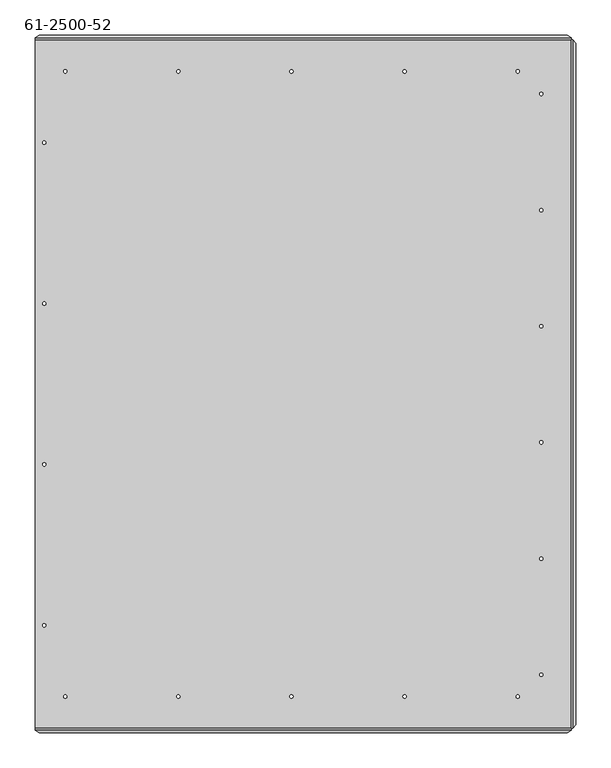
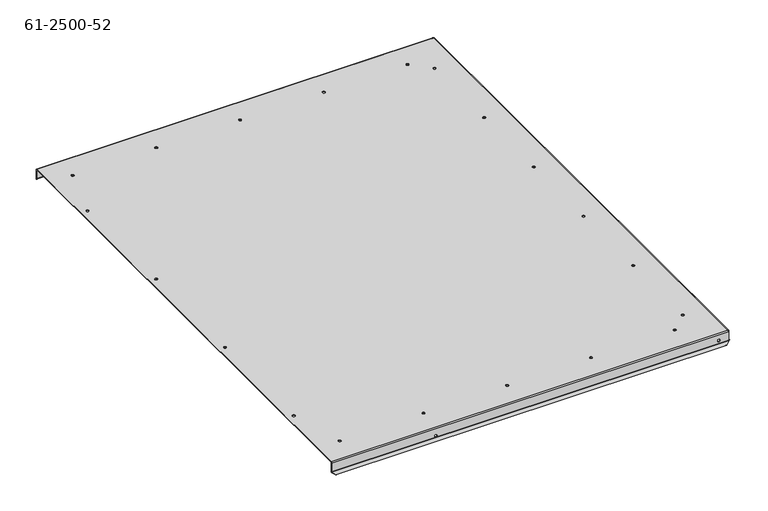
"""IFC4 building model written with IfcOpenShell, lengths in millimetres: proxy geometry, 61-2500-52."""

from ifc_helpers import new_model, si_unit, frame, origin, place, context, project, spatial, polyline, circle_curve, source, transform, mapped, element, save
from ifc_brep_helpers import plane_surface, cylinder_surface, revolved_surface, advanced_brep


def proxy_61_2500_52_3c4cc847(model_context):
    return source(origin(), model_context, "Body", "AdvancedBrep", [
        advanced_brep(
        [(366.13846, -10.8018827, -0.85344), (366.13846, -10.8018827, 0.0), (361.43946, -10.8018827, 0.0), (361.43946, -10.8018827, -0.85344), (526.71726, -10.8018827, -0.85344), (526.71726, -10.8018827, 0.0), (522.01826, -10.8018827, 0.0), (522.01826, -10.8018827, -0.85344), (687.29606, -10.8018827, -0.85344), (687.29606, -10.8018827, 0.0), (682.59706, -10.8018827, 0.0), (682.59706, -10.8018827, -0.85344), (687.29606, -898.2728027, -0.85344), (687.29606, -898.2728027, 0.0), (682.59706, -898.2728027, 0.0), (682.59706, -898.2728027, -0.85344), (526.71726, -898.2728027, -0.85344), (526.71726, -898.2728027, 0.0), (522.01826, -898.2728027, 0.0), (522.01826, -898.2728027, -0.85344), (366.13846, -898.2728027, -0.85344), (366.13846, -898.2728027, 0.0), (361.43946, -898.2728027, 0.0), (361.43946, -898.2728027, -0.85344), (720.72246, -42.8008027, -0.85344), (720.72246, -42.8008027, 0.0), (716.02346, -42.8008027, 0.0), (716.02346, -42.8008027, -0.85344), (720.72246, -867.2848027, -0.85344), (720.72246, -867.2848027, 0.0), (716.02346, -867.2848027, 0.0), (716.02346, -867.2848027, -0.85344), (720.72246, -702.3880027, -0.85344), (720.72246, -702.3880027, 0.0), (716.02346, -702.3880027, 0.0), (716.02346, -702.3880027, -0.85344), (720.72246, -537.4912027, -0.85344), (720.72246, -537.4912027, 0.0), (716.02346, -537.4912027, 0.0), (716.02346, -537.4912027, -0.85344), (720.72246, -372.5944027, -0.85344), (720.72246, -372.5944027, 0.0), (716.02346, -372.5944027, 0.0), (716.02346, -372.5944027, -0.85344), (720.72246, -207.6976027, -0.85344), (720.72246, -207.6976027, 0.0), (716.02346, -207.6976027, 0.0), (716.02346, -207.6976027, -0.85344), (205.55966, -898.2728027, -0.85344), (205.55966, -898.2728027, 0.0), (200.86066, -898.2728027, 0.0), (200.86066, -898.2728027, -0.85344), (44.98086, -898.2728027, -0.85344), (44.98086, -898.2728027, 0.0), (40.28186, -898.2728027, 0.0), (40.28186, -898.2728027, -0.85344), (44.98086, -10.8018827, -0.85344), (44.98086, -10.8018827, 0.0), (40.28186, -10.8018827, 0.0), (40.28186, -10.8018827, -0.85344), (205.55966, -10.8018827, -0.85344), (205.55966, -10.8018827, 0.0), (200.86066, -10.8018827, 0.0), (200.86066, -10.8018827, -0.85344), (762.0, 15.7665173, -15.61338), (762.85344, 15.7665173, -15.61338), (762.85344, 15.7665173, -10.91438), (762.0, 15.7665173, -10.91438), (762.0, -924.8412027, -15.61338), (762.85344, -924.8412027, -15.61338), (762.85344, -924.8412027, -10.91438), (762.0, -924.8412027, -10.91438), (15.0495, -111.8913427, -0.85344), (15.0495, -111.8913427, 0.0), (10.3505, -111.8913427, 0.0), (10.3505, -111.8913427, -0.85344), (15.0495, -340.3135427, -0.85344), (15.0495, -340.3135427, 0.0), (10.3505, -340.3135427, 0.0), (10.3505, -340.3135427, -0.85344), (15.0495, -568.7611427, -0.85344), (15.0495, -568.7611427, 0.0), (10.3505, -568.7611427, 0.0), (10.3505, -568.7611427, -0.85344), (15.0495, -797.1833427, -0.85344), (15.0495, -797.1833427, 0.0), (10.3505, -797.1833427, 0.0), (10.3505, -797.1833427, -0.85344), (202.18146, -944.3382427, -16.4257336), (202.18146, -945.1916827, -16.4257336), (197.48246, -945.1916827, -16.4257336), (197.48246, -944.3382427, -16.4257336), (202.18146, 36.1169973, -16.4257336), (202.18146, 35.2635573, -16.4257336), (197.48246, 35.2635573, -16.4257336), (197.48246, 36.1169973, -16.4257336), (744.87786, -945.1916827, -13.26388), (744.87786, -944.3382427, -13.26388), (740.17886, -944.3382427, -13.26388), (740.17886, -945.1916827, -13.26388), (744.87786, 35.2635573, -13.26388), (744.87786, 36.1169973, -13.26388), (740.17886, 36.1169973, -13.26388), (740.17886, 35.2635573, -13.26388), (0.0, -945.1809064, -21.0996101), (5.5118, -949.0783375, -24.9970413), (5.5118, -949.6818108, -24.3935681), (0.0, -945.7843796, -20.4961369), (0.0, -945.4416495, -20.1534068), (0.0, -945.1916827, -19.5499336), (0.0, -945.1916827, -1.70688), (0.0, -943.4848027, 0.0), (0.0, 34.4101173, 0.0), (0.0, 36.1169973, -1.70688), (0.0, 36.1169973, -19.5499336), (0.0, 36.3669641, -20.1534068), (0.0, 36.7096942, -20.4961369), (0.0, 36.106221, -21.0996101), (0.0, 35.7634909, -20.75688), (0.0, 35.2635573, -19.5499336), (0.0, 35.2635573, -1.70688), (0.0, 34.4101173, -0.85344), (0.0, -943.4848027, -0.85344), (0.0, -944.3382427, -1.70688), (0.0, -944.3382427, -19.5499336), (0.0, -944.8381763, -20.75688), (755.63476, -949.6818108, -24.3935681), (761.14656, -945.7843796, -20.4961369), (761.14656, -945.4416495, -20.1534068), (755.63476, -949.0783375, -24.9970413), (761.14656, -945.1809064, -21.0996101), (761.14656, -944.8381763, -20.75688), (761.14656, -944.3382427, -19.5499336), (761.14656, -944.3382427, -1.70688), (761.14656, -943.4848027, -0.85344), (761.14656, -943.4848027, 0.0), (761.14656, -945.1916827, -1.70688), (761.14656, -945.1916827, -19.5499336), (762.8426637, -943.4848027, -21.0996101), (766.7400948, -937.9730027, -24.9970413), (767.3435681, -937.9730027, -24.3935681), (763.4461369, -943.4848027, -20.4961369), (763.1034068, -943.4848027, -20.1534068), (762.85344, -943.4848027, -19.5499336), (762.85344, -943.4848027, -1.70688), (762.0, -943.4848027, -1.70688), (762.0, -943.4848027, -19.5499336), (762.4999336, -943.4848027, -20.75688), (767.3435681, 28.8983173, -24.3935681), (763.4461369, 34.4101173, -20.4961369), (763.1034068, 34.4101173, -20.1534068), (766.7400948, 28.8983173, -24.9970413), (762.8426637, 34.4101173, -21.0996101), (762.4999336, 34.4101173, -20.75688), (762.0, 34.4101173, -19.5499336), (762.0, 34.4101173, -1.70688), (761.14656, 34.4101173, -0.85344), (761.14656, 34.4101173, 0.0), (762.85344, 34.4101173, -1.70688), (762.85344, 34.4101173, -19.5499336), (5.5118, 40.0036522, -24.9970413), (5.5118, 40.6071254, -24.3935681), (755.63476, 40.6071254, -24.3935681), (755.63476, 40.0036522, -24.9970413), (761.14656, 36.3669641, -20.1534068), (761.14656, 36.7096942, -20.4961369), (761.14656, 36.106221, -21.0996101), (761.14656, 36.1169973, -19.5499336), (761.14656, 36.1169973, -1.70688), (761.14656, 35.2635573, -1.70688), (761.14656, 35.2635573, -19.5499336), (761.14656, 35.7634909, -20.75688)],
        [
            (0, 1),
            (1, 2, circle_curve(frame((363.78896, -10.8018827, 0.0), z_axis=(0.0, 0.0, 1.0), x_axis=(1.0, 0.0, 0.0)), 2.3495)),
            (2, 3),
            (3, 0, circle_curve(frame((363.78896, -10.8018827, -0.85344), z_axis=(0.0, 0.0, -1.0), x_axis=(1.0, 0.0, 0.0)), 2.3495)),
            (4, 5),
            (5, 6, circle_curve(frame((524.36776, -10.8018827, 0.0), z_axis=(0.0, 0.0, 1.0), x_axis=(1.0, 0.0, 0.0)), 2.3495)),
            (6, 7),
            (7, 4, circle_curve(frame((524.36776, -10.8018827, -0.85344), z_axis=(0.0, 0.0, -1.0), x_axis=(1.0, 0.0, 0.0)), 2.3495)),
            (8, 9),
            (9, 10, circle_curve(frame((684.94656, -10.8018827, 0.0), z_axis=(0.0, 0.0, 1.0), x_axis=(1.0, 0.0, 0.0)), 2.3495)),
            (10, 11),
            (11, 8, circle_curve(frame((684.94656, -10.8018827, -0.85344), z_axis=(0.0, 0.0, -1.0), x_axis=(1.0, 0.0, 0.0)), 2.3495)),
            (12, 13),
            (13, 14, circle_curve(frame((684.94656, -898.2728027, 0.0), z_axis=(0.0, 0.0, 1.0), x_axis=(1.0, 0.0, 0.0)), 2.3495)),
            (14, 15),
            (15, 12, circle_curve(frame((684.94656, -898.2728027, -0.85344), z_axis=(0.0, 0.0, -1.0), x_axis=(1.0, 0.0, 0.0)), 2.3495)),
            (16, 17),
            (17, 18, circle_curve(frame((524.36776, -898.2728027, 0.0), z_axis=(0.0, 0.0, 1.0), x_axis=(1.0, 0.0, 0.0)), 2.3495)),
            (18, 19),
            (19, 16, circle_curve(frame((524.36776, -898.2728027, -0.85344), z_axis=(0.0, 0.0, -1.0), x_axis=(1.0, 0.0, 0.0)), 2.3495)),
            (20, 21),
            (21, 22, circle_curve(frame((363.78896, -898.2728027, 0.0), z_axis=(0.0, 0.0, 1.0), x_axis=(1.0, 0.0, 0.0)), 2.3495)),
            (22, 23),
            (23, 20, circle_curve(frame((363.78896, -898.2728027, -0.85344), z_axis=(0.0, 0.0, -1.0), x_axis=(1.0, 0.0, 0.0)), 2.3495)),
            (24, 25),
            (25, 26, circle_curve(frame((718.37296, -42.8008027, 0.0), z_axis=(0.0, 0.0, 1.0), x_axis=(1.0, 0.0, 0.0)), 2.3495)),
            (26, 27),
            (27, 24, circle_curve(frame((718.37296, -42.8008027, -0.85344), z_axis=(0.0, 0.0, -1.0), x_axis=(1.0, 0.0, 0.0)), 2.3495)),
            (28, 29),
            (29, 30, circle_curve(frame((718.37296, -867.2848027, 0.0), z_axis=(0.0, 0.0, 1.0), x_axis=(1.0, 0.0, 0.0)), 2.3495)),
            (30, 31),
            (31, 28, circle_curve(frame((718.37296, -867.2848027, -0.85344), z_axis=(0.0, 0.0, -1.0), x_axis=(1.0, 0.0, 0.0)), 2.3495)),
            (32, 33),
            (33, 34, circle_curve(frame((718.37296, -702.3880027, 0.0), z_axis=(0.0, 0.0, 1.0), x_axis=(1.0, 0.0, 0.0)), 2.3495)),
            (34, 35),
            (35, 32, circle_curve(frame((718.37296, -702.3880027, -0.85344), z_axis=(0.0, 0.0, -1.0), x_axis=(1.0, 0.0, 0.0)), 2.3495)),
            (36, 37),
            (37, 38, circle_curve(frame((718.37296, -537.4912027, 0.0), z_axis=(0.0, 0.0, 1.0), x_axis=(1.0, 0.0, 0.0)), 2.3495)),
            (38, 39),
            (39, 36, circle_curve(frame((718.37296, -537.4912027, -0.85344), z_axis=(0.0, 0.0, -1.0), x_axis=(1.0, 0.0, 0.0)), 2.3495)),
            (40, 41),
            (41, 42, circle_curve(frame((718.37296, -372.5944027, 0.0), z_axis=(0.0, 0.0, 1.0), x_axis=(1.0, 0.0, 0.0)), 2.3495)),
            (42, 43),
            (43, 40, circle_curve(frame((718.37296, -372.5944027, -0.85344), z_axis=(0.0, 0.0, -1.0), x_axis=(1.0, 0.0, 0.0)), 2.3495)),
            (44, 45),
            (45, 46, circle_curve(frame((718.37296, -207.6976027, 0.0), z_axis=(0.0, 0.0, 1.0), x_axis=(1.0, 0.0, 0.0)), 2.3495)),
            (46, 47),
            (47, 44, circle_curve(frame((718.37296, -207.6976027, -0.85344), z_axis=(0.0, 0.0, -1.0), x_axis=(1.0, 0.0, 0.0)), 2.3495)),
            (48, 49),
            (49, 50, circle_curve(frame((203.21016, -898.2728027, 0.0), z_axis=(0.0, 0.0, 1.0), x_axis=(1.0, 0.0, 0.0)), 2.3495)),
            (50, 51),
            (51, 48, circle_curve(frame((203.21016, -898.2728027, -0.85344), z_axis=(0.0, 0.0, -1.0), x_axis=(1.0, 0.0, 0.0)), 2.3495)),
            (52, 53),
            (53, 54, circle_curve(frame((42.63136, -898.2728027, 0.0), z_axis=(0.0, 0.0, 1.0), x_axis=(1.0, 0.0, 0.0)), 2.3495)),
            (54, 55),
            (55, 52, circle_curve(frame((42.63136, -898.2728027, -0.85344), z_axis=(0.0, 0.0, -1.0), x_axis=(1.0, 0.0, 0.0)), 2.3495)),
            (56, 57),
            (57, 58, circle_curve(frame((42.63136, -10.8018827, 0.0), z_axis=(0.0, 0.0, 1.0), x_axis=(1.0, 0.0, 0.0)), 2.3495)),
            (58, 59),
            (59, 56, circle_curve(frame((42.63136, -10.8018827, -0.85344), z_axis=(0.0, 0.0, -1.0), x_axis=(1.0, 0.0, 0.0)), 2.3495)),
            (60, 61),
            (61, 62, circle_curve(frame((203.21016, -10.8018827, 0.0), z_axis=(0.0, 0.0, 1.0), x_axis=(1.0, 0.0, 0.0)), 2.3495)),
            (62, 63),
            (63, 60, circle_curve(frame((203.21016, -10.8018827, -0.85344), z_axis=(0.0, 0.0, -1.0), x_axis=(1.0, 0.0, 0.0)), 2.3495)),
            (64, 65),
            (65, 66, circle_curve(frame((762.85344, 15.7665173, -13.26388), z_axis=(1.0, 0.0, 0.0), x_axis=(0.0, 0.0, -1.0)), 2.3495)),
            (66, 67),
            (67, 64, circle_curve(frame((762.0, 15.7665173, -13.26388), z_axis=(-1.0, 0.0, 0.0), x_axis=(0.0, 0.0, -1.0)), 2.3495)),
            (68, 69),
            (69, 70, circle_curve(frame((762.85344, -924.8412027, -13.26388), z_axis=(1.0, 0.0, 0.0), x_axis=(0.0, 0.0, -1.0)), 2.3495)),
            (70, 71),
            (71, 68, circle_curve(frame((762.0, -924.8412027, -13.26388), z_axis=(-1.0, 0.0, 0.0), x_axis=(0.0, 0.0, -1.0)), 2.3495)),
            (72, 73),
            (73, 74, circle_curve(frame((12.7, -111.8913427, 0.0), z_axis=(0.0, 0.0, 1.0), x_axis=(1.0, 0.0, 0.0)), 2.3495)),
            (74, 75),
            (75, 72, circle_curve(frame((12.7, -111.8913427, -0.85344), z_axis=(0.0, 0.0, -1.0), x_axis=(1.0, 0.0, 0.0)), 2.3495)),
            (76, 77),
            (77, 78, circle_curve(frame((12.7, -340.3135427, 0.0), z_axis=(0.0, 0.0, 1.0), x_axis=(1.0, 0.0, 0.0)), 2.3495)),
            (78, 79),
            (79, 76, circle_curve(frame((12.7, -340.3135427, -0.85344), z_axis=(0.0, 0.0, -1.0), x_axis=(1.0, 0.0, 0.0)), 2.3495)),
            (80, 81),
            (81, 82, circle_curve(frame((12.7, -568.7611427, 0.0), z_axis=(0.0, 0.0, 1.0), x_axis=(1.0, 0.0, 0.0)), 2.3495)),
            (82, 83),
            (83, 80, circle_curve(frame((12.7, -568.7611427, -0.85344), z_axis=(0.0, 0.0, -1.0), x_axis=(1.0, 0.0, 0.0)), 2.3495)),
            (84, 85),
            (85, 86, circle_curve(frame((12.7, -797.1833427, 0.0), z_axis=(0.0, 0.0, 1.0), x_axis=(1.0, 0.0, 0.0)), 2.3495)),
            (86, 87),
            (87, 84, circle_curve(frame((12.7, -797.1833427, -0.85344), z_axis=(0.0, 0.0, -1.0), x_axis=(1.0, 0.0, 0.0)), 2.3495)),
            (88, 89),
            (89, 90, circle_curve(frame((199.83196, -945.1916827, -16.4257336), z_axis=(0.0, -1.0, 0.0), x_axis=(1.0, 0.0, 0.0)), 2.3495)),
            (90, 91),
            (91, 88, circle_curve(frame((199.83196, -944.3382427, -16.4257336), z_axis=(0.0, 1.0, 0.0), x_axis=(1.0, 0.0, 0.0)), 2.3495)),
            (92, 93),
            (93, 94, circle_curve(frame((199.83196, 35.2635573, -16.4257336), z_axis=(0.0, -1.0, 0.0), x_axis=(1.0, 0.0, 0.0)), 2.3495)),
            (94, 95),
            (95, 92, circle_curve(frame((199.83196, 36.1169973, -16.4257336), z_axis=(0.0, 1.0, 0.0), x_axis=(1.0, 0.0, 0.0)), 2.3495)),
            (96, 97),
            (97, 98, circle_curve(frame((742.52836, -944.3382427, -13.26388), z_axis=(0.0, 1.0, 0.0), x_axis=(1.0, 0.0, 0.0)), 2.3495)),
            (98, 99),
            (99, 96, circle_curve(frame((742.52836, -945.1916827, -13.26388), z_axis=(0.0, -1.0, 0.0), x_axis=(1.0, 0.0, 0.0)), 2.3495)),
            (100, 101),
            (101, 102, circle_curve(frame((742.52836, 36.1169973, -13.26388), z_axis=(0.0, 1.0, 0.0), x_axis=(1.0, 0.0, 0.0)), 2.3495)),
            (102, 103),
            (103, 100, circle_curve(frame((742.52836, 35.2635573, -13.26388), z_axis=(0.0, -1.0, 0.0), x_axis=(1.0, 0.0, 0.0)), 2.3495)),
            (100, 103, circle_curve(frame((742.52836, 35.2635573, -13.26388), z_axis=(0.0, -1.0, 0.0), x_axis=(1.0, 0.0, 0.0)), 2.3495)),
            (102, 101, circle_curve(frame((742.52836, 36.1169973, -13.26388), z_axis=(0.0, 1.0, 0.0), x_axis=(1.0, 0.0, 0.0)), 2.3495)),
            (96, 99, circle_curve(frame((742.52836, -945.1916827, -13.26388), z_axis=(0.0, -1.0, 0.0), x_axis=(1.0, 0.0, 0.0)), 2.3495)),
            (98, 97, circle_curve(frame((742.52836, -944.3382427, -13.26388), z_axis=(0.0, 1.0, 0.0), x_axis=(1.0, 0.0, 0.0)), 2.3495)),
            (92, 95, circle_curve(frame((199.83196, 36.1169973, -16.4257336), z_axis=(0.0, 1.0, 0.0), x_axis=(1.0, 0.0, 0.0)), 2.3495)),
            (94, 93, circle_curve(frame((199.83196, 35.2635573, -16.4257336), z_axis=(0.0, -1.0, 0.0), x_axis=(1.0, 0.0, 0.0)), 2.3495)),
            (88, 91, circle_curve(frame((199.83196, -944.3382427, -16.4257336), z_axis=(0.0, 1.0, 0.0), x_axis=(1.0, 0.0, 0.0)), 2.3495)),
            (90, 89, circle_curve(frame((199.83196, -945.1916827, -16.4257336), z_axis=(0.0, -1.0, 0.0), x_axis=(1.0, 0.0, 0.0)), 2.3495)),
            (84, 87, circle_curve(frame((12.7, -797.1833427, -0.85344), z_axis=(0.0, 0.0, -1.0), x_axis=(1.0, 0.0, 0.0)), 2.3495)),
            (86, 85, circle_curve(frame((12.7, -797.1833427, 0.0), z_axis=(0.0, 0.0, 1.0), x_axis=(1.0, 0.0, 0.0)), 2.3495)),
            (80, 83, circle_curve(frame((12.7, -568.7611427, -0.85344), z_axis=(0.0, 0.0, -1.0), x_axis=(1.0, 0.0, 0.0)), 2.3495)),
            (82, 81, circle_curve(frame((12.7, -568.7611427, 0.0), z_axis=(0.0, 0.0, 1.0), x_axis=(1.0, 0.0, 0.0)), 2.3495)),
            (76, 79, circle_curve(frame((12.7, -340.3135427, -0.85344), z_axis=(0.0, 0.0, -1.0), x_axis=(1.0, 0.0, 0.0)), 2.3495)),
            (78, 77, circle_curve(frame((12.7, -340.3135427, 0.0), z_axis=(0.0, 0.0, 1.0), x_axis=(1.0, 0.0, 0.0)), 2.3495)),
            (72, 75, circle_curve(frame((12.7, -111.8913427, -0.85344), z_axis=(0.0, 0.0, -1.0), x_axis=(1.0, 0.0, 0.0)), 2.3495)),
            (74, 73, circle_curve(frame((12.7, -111.8913427, 0.0), z_axis=(0.0, 0.0, 1.0), x_axis=(1.0, 0.0, 0.0)), 2.3495)),
            (68, 71, circle_curve(frame((762.0, -924.8412027, -13.26388), z_axis=(-1.0, 0.0, 0.0), x_axis=(0.0, 0.0, -1.0)), 2.3495)),
            (70, 69, circle_curve(frame((762.85344, -924.8412027, -13.26388), z_axis=(1.0, 0.0, 0.0), x_axis=(0.0, 0.0, -1.0)), 2.3495)),
            (64, 67, circle_curve(frame((762.0, 15.7665173, -13.26388), z_axis=(-1.0, 0.0, 0.0), x_axis=(0.0, 0.0, -1.0)), 2.3495)),
            (66, 65, circle_curve(frame((762.85344, 15.7665173, -13.26388), z_axis=(1.0, 0.0, 0.0), x_axis=(0.0, 0.0, -1.0)), 2.3495)),
            (60, 63, circle_curve(frame((203.21016, -10.8018827, -0.85344), z_axis=(0.0, 0.0, -1.0), x_axis=(1.0, 0.0, 0.0)), 2.3495)),
            (62, 61, circle_curve(frame((203.21016, -10.8018827, 0.0), z_axis=(0.0, 0.0, 1.0), x_axis=(1.0, 0.0, 0.0)), 2.3495)),
            (56, 59, circle_curve(frame((42.63136, -10.8018827, -0.85344), z_axis=(0.0, 0.0, -1.0), x_axis=(1.0, 0.0, 0.0)), 2.3495)),
            (58, 57, circle_curve(frame((42.63136, -10.8018827, 0.0), z_axis=(0.0, 0.0, 1.0), x_axis=(1.0, 0.0, 0.0)), 2.3495)),
            (52, 55, circle_curve(frame((42.63136, -898.2728027, -0.85344), z_axis=(0.0, 0.0, -1.0), x_axis=(1.0, 0.0, 0.0)), 2.3495)),
            (54, 53, circle_curve(frame((42.63136, -898.2728027, 0.0), z_axis=(0.0, 0.0, 1.0), x_axis=(1.0, 0.0, 0.0)), 2.3495)),
            (48, 51, circle_curve(frame((203.21016, -898.2728027, -0.85344), z_axis=(0.0, 0.0, -1.0), x_axis=(1.0, 0.0, 0.0)), 2.3495)),
            (50, 49, circle_curve(frame((203.21016, -898.2728027, 0.0), z_axis=(0.0, 0.0, 1.0), x_axis=(1.0, 0.0, 0.0)), 2.3495)),
            (44, 47, circle_curve(frame((718.37296, -207.6976027, -0.85344), z_axis=(0.0, 0.0, -1.0), x_axis=(1.0, 0.0, 0.0)), 2.3495)),
            (46, 45, circle_curve(frame((718.37296, -207.6976027, 0.0), z_axis=(0.0, 0.0, 1.0), x_axis=(1.0, 0.0, 0.0)), 2.3495)),
            (40, 43, circle_curve(frame((718.37296, -372.5944027, -0.85344), z_axis=(0.0, 0.0, -1.0), x_axis=(1.0, 0.0, 0.0)), 2.3495)),
            (42, 41, circle_curve(frame((718.37296, -372.5944027, 0.0), z_axis=(0.0, 0.0, 1.0), x_axis=(1.0, 0.0, 0.0)), 2.3495)),
            (36, 39, circle_curve(frame((718.37296, -537.4912027, -0.85344), z_axis=(0.0, 0.0, -1.0), x_axis=(1.0, 0.0, 0.0)), 2.3495)),
            (38, 37, circle_curve(frame((718.37296, -537.4912027, 0.0), z_axis=(0.0, 0.0, 1.0), x_axis=(1.0, 0.0, 0.0)), 2.3495)),
            (32, 35, circle_curve(frame((718.37296, -702.3880027, -0.85344), z_axis=(0.0, 0.0, -1.0), x_axis=(1.0, 0.0, 0.0)), 2.3495)),
            (34, 33, circle_curve(frame((718.37296, -702.3880027, 0.0), z_axis=(0.0, 0.0, 1.0), x_axis=(1.0, 0.0, 0.0)), 2.3495)),
            (28, 31, circle_curve(frame((718.37296, -867.2848027, -0.85344), z_axis=(0.0, 0.0, -1.0), x_axis=(1.0, 0.0, 0.0)), 2.3495)),
            (30, 29, circle_curve(frame((718.37296, -867.2848027, 0.0), z_axis=(0.0, 0.0, 1.0), x_axis=(1.0, 0.0, 0.0)), 2.3495)),
            (24, 27, circle_curve(frame((718.37296, -42.8008027, -0.85344), z_axis=(0.0, 0.0, -1.0), x_axis=(1.0, 0.0, 0.0)), 2.3495)),
            (26, 25, circle_curve(frame((718.37296, -42.8008027, 0.0), z_axis=(0.0, 0.0, 1.0), x_axis=(1.0, 0.0, 0.0)), 2.3495)),
            (20, 23, circle_curve(frame((363.78896, -898.2728027, -0.85344), z_axis=(0.0, 0.0, -1.0), x_axis=(1.0, 0.0, 0.0)), 2.3495)),
            (22, 21, circle_curve(frame((363.78896, -898.2728027, 0.0), z_axis=(0.0, 0.0, 1.0), x_axis=(1.0, 0.0, 0.0)), 2.3495)),
            (16, 19, circle_curve(frame((524.36776, -898.2728027, -0.85344), z_axis=(0.0, 0.0, -1.0), x_axis=(1.0, 0.0, 0.0)), 2.3495)),
            (18, 17, circle_curve(frame((524.36776, -898.2728027, 0.0), z_axis=(0.0, 0.0, 1.0), x_axis=(1.0, 0.0, 0.0)), 2.3495)),
            (12, 15, circle_curve(frame((684.94656, -898.2728027, -0.85344), z_axis=(0.0, 0.0, -1.0), x_axis=(1.0, 0.0, 0.0)), 2.3495)),
            (14, 13, circle_curve(frame((684.94656, -898.2728027, 0.0), z_axis=(0.0, 0.0, 1.0), x_axis=(1.0, 0.0, 0.0)), 2.3495)),
            (8, 11, circle_curve(frame((684.94656, -10.8018827, -0.85344), z_axis=(0.0, 0.0, -1.0), x_axis=(1.0, 0.0, 0.0)), 2.3495)),
            (10, 9, circle_curve(frame((684.94656, -10.8018827, 0.0), z_axis=(0.0, 0.0, 1.0), x_axis=(1.0, 0.0, 0.0)), 2.3495)),
            (4, 7, circle_curve(frame((524.36776, -10.8018827, -0.85344), z_axis=(0.0, 0.0, -1.0), x_axis=(1.0, 0.0, 0.0)), 2.3495)),
            (6, 5, circle_curve(frame((524.36776, -10.8018827, 0.0), z_axis=(0.0, 0.0, 1.0), x_axis=(1.0, 0.0, 0.0)), 2.3495)),
            (0, 3, circle_curve(frame((363.78896, -10.8018827, -0.85344), z_axis=(0.0, 0.0, -1.0), x_axis=(1.0, 0.0, 0.0)), 2.3495)),
            (2, 1, circle_curve(frame((363.78896, -10.8018827, 0.0), z_axis=(0.0, 0.0, 1.0), x_axis=(1.0, 0.0, 0.0)), 2.3495)),
            (104, 105),
            (105, 106),
            (106, 107),
            (107, 104),
            (107, 108),
            (108, 109, circle_curve(frame((0.0, -946.0451227, -19.5499336), z_axis=(1.0, 0.0, 0.0), x_axis=(0.0, 1.0, 0.0)), 0.85344)),
            (109, 110),
            (110, 111, circle_curve(frame((0.0, -943.4848027, -1.70688), z_axis=(-1.0, 0.0, 0.0), x_axis=(0.0, 0.0, 1.0)), 1.70688)),
            (111, 112),
            (112, 113, circle_curve(frame((0.0, 34.4101173, -1.70688), z_axis=(-1.0, 0.0, 0.0), x_axis=(0.0, 0.0, 1.0)), 1.70688)),
            (113, 114),
            (114, 115, circle_curve(frame((0.0, 36.9704373, -19.5499336), z_axis=(1.0, 0.0, 0.0), x_axis=(0.0, -1.0, 0.0)), 0.85344)),
            (115, 116),
            (116, 117),
            (117, 118),
            (118, 119, circle_curve(frame((0.0, 36.9704373, -19.5499336), z_axis=(-1.0, 0.0, 0.0), x_axis=(0.0, -1.0, 0.0)), 1.70688)),
            (119, 120),
            (120, 121, circle_curve(frame((0.0, 34.4101173, -1.70688), z_axis=(1.0, 0.0, 0.0), x_axis=(0.0, 0.0, 1.0)), 0.85344)),
            (121, 122),
            (122, 123, circle_curve(frame((0.0, -943.4848027, -1.70688), z_axis=(1.0, 0.0, 0.0), x_axis=(0.0, 0.0, 1.0)), 0.85344)),
            (123, 124),
            (124, 125, circle_curve(frame((0.0, -946.0451227, -19.5499336), z_axis=(-1.0, 0.0, 0.0), x_axis=(0.0, 1.0, 0.0)), 1.70688)),
            (125, 104),
            (106, 126),
            (126, 127),
            (127, 128),
            (128, 108),
            (129, 130),
            (130, 127),
            (126, 129),
            (130, 131),
            (131, 132, circle_curve(frame((761.14656, -946.0451227, -19.5499336), z_axis=(1.0, 0.0, 0.0), x_axis=(0.0, 1.0, 0.0)), 1.70688)),
            (132, 133),
            (133, 134, circle_curve(frame((761.14656, -943.4848027, -1.70688), z_axis=(-1.0, 0.0, 0.0), x_axis=(0.0, 0.0, 1.0)), 0.85344)),
            (134, 135),
            (135, 136, circle_curve(frame((761.14656, -943.4848027, -1.70688), z_axis=(1.0, 0.0, 0.0), x_axis=(0.0, 0.0, 1.0)), 1.70688)),
            (136, 137),
            (137, 128, circle_curve(frame((761.14656, -946.0451227, -19.5499336), z_axis=(-1.0, 0.0, 0.0), x_axis=(0.0, 1.0, 0.0)), 0.85344)),
            (138, 139),
            (139, 140),
            (140, 141),
            (141, 138),
            (141, 142),
            (142, 143, circle_curve(frame((763.70688, -943.4848027, -19.5499336), z_axis=(0.0, 1.0, 0.0), x_axis=(-1.0, 0.0, 0.0)), 0.85344)),
            (143, 144),
            (144, 135, circle_curve(frame((761.14656, -943.4848027, -1.70688), z_axis=(0.0, -1.0, 0.0), x_axis=(0.0, 0.0, 1.0)), 1.70688)),
            (134, 145, circle_curve(frame((761.14656, -943.4848027, -1.70688), z_axis=(0.0, 1.0, 0.0), x_axis=(0.0, 0.0, 1.0)), 0.85344)),
            (145, 146),
            (146, 147, circle_curve(frame((763.70688, -943.4848027, -19.5499336), z_axis=(0.0, -1.0, 0.0), x_axis=(-1.0, 0.0, 0.0)), 1.70688)),
            (147, 138),
            (140, 148),
            (148, 149),
            (149, 150),
            (150, 142),
            (151, 152),
            (152, 149),
            (148, 151),
            (152, 153),
            (153, 154, circle_curve(frame((763.70688, 34.4101173, -19.5499336), z_axis=(0.0, 1.0, 0.0), x_axis=(-1.0, 0.0, 0.0)), 1.70688)),
            (154, 155),
            (155, 156, circle_curve(frame((761.14656, 34.4101173, -1.70688), z_axis=(0.0, -1.0, 0.0), x_axis=(0.0, 0.0, 1.0)), 0.85344)),
            (156, 157),
            (157, 158, circle_curve(frame((761.14656, 34.4101173, -1.70688), z_axis=(0.0, 1.0, 0.0), x_axis=(0.0, 0.0, 1.0)), 1.70688)),
            (158, 159),
            (159, 150, circle_curve(frame((763.70688, 34.4101173, -19.5499336), z_axis=(0.0, -1.0, 0.0), x_axis=(-1.0, 0.0, 0.0)), 0.85344)),
            (160, 117),
            (116, 161),
            (161, 160),
            (161, 162),
            (162, 163),
            (163, 160),
            (115, 164),
            (164, 165),
            (165, 162),
            (166, 163),
            (165, 166),
            (164, 167, circle_curve(frame((761.14656, 36.9704373, -19.5499336), z_axis=(-1.0, 0.0, 0.0), x_axis=(0.0, -1.0, 0.0)), 0.85344)),
            (167, 168),
            (168, 157, circle_curve(frame((761.14656, 34.4101173, -1.70688), z_axis=(1.0, 0.0, 0.0), x_axis=(0.0, 0.0, 1.0)), 1.70688)),
            (156, 169, circle_curve(frame((761.14656, 34.4101173, -1.70688), z_axis=(-1.0, 0.0, 0.0), x_axis=(0.0, 0.0, 1.0)), 0.85344)),
            (169, 170),
            (170, 171, circle_curve(frame((761.14656, 36.9704373, -19.5499336), z_axis=(1.0, 0.0, 0.0), x_axis=(0.0, -1.0, 0.0)), 1.70688)),
            (171, 166),
            (171, 118),
            (114, 167),
            (170, 119),
            (113, 168),
            (139, 151),
            (147, 153),
            (159, 143),
            (146, 154),
            (145, 155),
            (105, 129),
            (125, 131),
            (137, 109),
            (124, 132),
            (123, 133),
            (158, 144),
            (136, 110),
            (122, 134),
            (135, 111),
            (134, 156),
            (121, 156),
            (169, 120),
            (112, 157),
            (157, 135),
        ],
        [
            revolved_surface(polyline([(366.13845999999995, -10.8018827, 0.0), (366.13845999999995, -10.8018827, -0.8534400000000915)]), (363.78896, -10.8018827, -1253.0415717), (0.0, 0.0, 1.0)),
            revolved_surface(polyline([(526.71726, -10.8018827, 0.0), (526.71726, -10.8018827, -0.8534400000000915)]), (524.36776, -10.8018827, -1253.0415717), (0.0, 0.0, 1.0)),
            revolved_surface(polyline([(687.29606, -10.8018827, 0.0), (687.29606, -10.8018827, -0.8534400000000915)]), (684.94656, -10.8018827, -1253.0415717), (0.0, 0.0, 1.0)),
            revolved_surface(polyline([(687.29606, -898.2728027, 0.0), (687.29606, -898.2728027, -0.8534400000000915)]), (684.94656, -898.2728027, -1253.0415717), (0.0, 0.0, 1.0)),
            revolved_surface(polyline([(526.71726, -898.2728027, 0.0), (526.71726, -898.2728027, -0.8534400000000915)]), (524.36776, -898.2728027, -1253.0415717), (0.0, 0.0, 1.0)),
            revolved_surface(polyline([(366.13845999999995, -898.2728027, 0.0), (366.13845999999995, -898.2728027, -0.8534400000000915)]), (363.78896, -898.2728027, -1253.0415717), (0.0, 0.0, 1.0)),
            revolved_surface(polyline([(720.7224600000001, -42.8008027, 0.0), (720.7224600000001, -42.8008027, -0.8534400000000915)]), (718.37296, -42.8008027, -1253.0415717), (0.0, 0.0, 1.0)),
            revolved_surface(polyline([(720.7224600000001, -867.2848027, 0.0), (720.7224600000001, -867.2848027, -0.8534400000000915)]), (718.37296, -867.2848027, -1253.0415717), (0.0, 0.0, 1.0)),
            revolved_surface(polyline([(720.7224600000001, -702.3880027, 0.0), (720.7224600000001, -702.3880027, -0.8534400000000915)]), (718.37296, -702.3880027, -1253.0415717), (0.0, 0.0, 1.0)),
            revolved_surface(polyline([(720.7224600000001, -537.4912027, 0.0), (720.7224600000001, -537.4912027, -0.8534400000000915)]), (718.37296, -537.4912027, -1253.0415717), (0.0, 0.0, 1.0)),
            revolved_surface(polyline([(720.7224600000001, -372.5944027, 0.0), (720.7224600000001, -372.5944027, -0.8534400000000915)]), (718.37296, -372.5944027, -1253.0415717), (0.0, 0.0, 1.0)),
            revolved_surface(polyline([(720.7224600000001, -207.6976027, 0.0), (720.7224600000001, -207.6976027, -0.8534400000000915)]), (718.37296, -207.6976027, -1253.0415717), (0.0, 0.0, 1.0)),
            revolved_surface(polyline([(205.55966, -898.2728027, 0.0), (205.55966, -898.2728027, -0.8534400000000915)]), (203.21016, -898.2728027, -1253.0415717), (0.0, 0.0, 1.0)),
            revolved_surface(polyline([(44.98086, -898.2728027, 0.0), (44.98086, -898.2728027, -0.8534400000000915)]), (42.63136, -898.2728027, -1253.0415717), (0.0, 0.0, 1.0)),
            revolved_surface(polyline([(44.98086, -10.8018827, 0.0), (44.98086, -10.8018827, -0.8534400000000915)]), (42.63136, -10.8018827, -1253.0415717), (0.0, 0.0, 1.0)),
            revolved_surface(polyline([(205.55966, -10.8018827, 0.0), (205.55966, -10.8018827, -0.8534400000000915)]), (203.21016, -10.8018827, -1253.0415717), (0.0, 0.0, 1.0)),
            revolved_surface(polyline([(762.8534400000001, 15.7665173, -15.61338), (762.0, 15.7665173, -15.61338)]), (-490.1881317, 15.7665173, -13.26388), (1.0, 0.0, 0.0)),
            revolved_surface(polyline([(762.8534400000001, -924.8412027, -15.61338), (762.0, -924.8412027, -15.61338)]), (-490.1881317, -924.8412027, -13.26388), (1.0, 0.0, 0.0)),
            revolved_surface(polyline([(15.049499999999998, -111.8913427, 0.0), (15.049499999999998, -111.8913427, -0.8534400000000915)]), (12.7, -111.8913427, -1253.0415717), (0.0, 0.0, 1.0)),
            revolved_surface(polyline([(15.049499999999998, -340.3135427, 0.0), (15.049499999999998, -340.3135427, -0.8534400000000915)]), (12.7, -340.3135427, -1253.0415717), (0.0, 0.0, 1.0)),
            revolved_surface(polyline([(15.049499999999998, -568.7611427, 0.0), (15.049499999999998, -568.7611427, -0.8534400000000915)]), (12.7, -568.7611427, -1253.0415717), (0.0, 0.0, 1.0)),
            revolved_surface(polyline([(15.049499999999998, -797.1833427, 0.0), (15.049499999999998, -797.1833427, -0.8534400000000915)]), (12.7, -797.1833427, -1253.0415717), (0.0, 0.0, 1.0)),
            revolved_surface(polyline([(202.18146000000002, -945.1916827, -16.4257336), (202.18146000000002, -944.3382427000001, -16.4257336)]), (199.83196, 307.8498891, -16.4257336), (0.0, -1.0, 0.0)),
            revolved_surface(polyline([(202.18146000000002, 35.2635573, -16.4257336), (202.18146000000002, 36.11699729999998, -16.4257336)]), (199.83196, 307.8498891, -16.4257336), (0.0, -1.0, 0.0)),
            revolved_surface(polyline([(744.87786, -944.3382427, -13.26388), (744.87786, -945.1916827, -13.26388)]), (742.52836, -1216.9245744, -13.26388), (0.0, 1.0, 0.0)),
            revolved_surface(polyline([(744.87786, 36.116997300000094, -13.26388), (744.87786, 35.2635573, -13.26388)]), (742.52836, -1216.9245744, -13.26388), (0.0, 1.0, 0.0)),
            plane_surface(frame((2.7559, -700.1608611, -270.0170865), z_axis=(-0.707106781186538, -0.49999999999998024, -0.5000000000000335), x_axis=(-0.5773502691896568, 0.0, 0.8164965809277042))),
            plane_surface(frame((0.0, 40.6071254, -24.3935681), z_axis=(-1.0, 0.0, 0.0), x_axis=(0.0, 0.0, 1.0))),
            plane_surface(frame((380.57328, -947.4367467, -22.148504), z_axis=(0.0, -0.7071067811865452, 0.7071067811865498), x_axis=(1.0, 0.0, 0.0))),
            plane_surface(frame((758.39066, -947.7330952, -22.4448525), z_axis=(0.707106781186549, -0.4999999999999724, -0.5000000000000259), x_axis=(-0.5773502691896449, 0.0, -0.8164965809277126))),
            plane_surface(frame((761.14656, -949.6818108, -24.3935681), z_axis=(1.0, 0.0, 0.0), x_axis=(0.0, 0.0, -1.0))),
            plane_surface(frame((765.3948525, -940.7289027, -22.4448525), z_axis=(0.4999999999999724, -0.7071067811865488, -0.5000000000000258), x_axis=(-0.7071067811865852, 0.0, -0.7071067811865098))),
            plane_surface(frame((762.85344, -943.4848027, -19.90344), z_axis=(0.0, -1.0, 0.0), x_axis=(0.0, 0.0, -1.0))),
            plane_surface(frame((765.098504, -454.5373427, -22.148504), z_axis=(0.7071067811865461, 0.0, 0.7071067811865489), x_axis=(0.7071067811865489, 0.0, -0.7071067811865461))),
            plane_surface(frame((765.3948525, 31.6542173, -22.4448525), z_axis=(0.4999999999999722, 0.7071067811865492, -0.5000000000000255), x_axis=(-0.7071067811865853, 0.0, -0.7071067811865098))),
            plane_surface(frame((767.3435681, 34.4101173, -24.3935681), z_axis=(0.0, 1.0, 0.0), x_axis=(0.0, 0.0, 1.0))),
            plane_surface(frame((2.7559, 38.6584098, -22.4448525), z_axis=(-0.7071067811865461, 0.5000000000000002, -0.5000000000000022), x_axis=(-0.5773502691896283, 0.0, 0.8164965809277244))),
            plane_surface(frame((761.14656, 40.6071254, -24.3935681), z_axis=(0.0, 0.7071067811865462, -0.7071067811865488), x_axis=(-1.0, 0.0, 0.0))),
            plane_surface(frame((380.57328, 38.3620613, -22.148504), z_axis=(0.0, 0.7071067811865477, 0.7071067811865474), x_axis=(1.0, 0.0, 0.0))),
            plane_surface(frame((758.39066, 38.6584098, -22.4448525), z_axis=(0.7071067811865459, 0.5000000000000004, -0.5000000000000022), x_axis=(-0.5773502691896284, 0.0, -0.8164965809277243))),
            plane_surface(frame((761.14656, 36.1169973, -19.90344), z_axis=(1.0, 0.0, 0.0), x_axis=(0.0, 0.0, -1.0))),
            plane_surface(frame((380.57328, 37.7585881, -22.7519772), z_axis=(0.0, -0.7071067811865477, -0.7071067811865475), x_axis=(1.0, 0.0, 0.0))),
            revolved_surface(polyline([(761.14656, 36.1169973, -19.5499336), (0.0, 36.1169973, -19.5499336)]), (380.57328, 36.9704373, -19.5499336), (1.0, 0.0, 0.0)),
            cylinder_surface(frame((380.57328, 36.9704373, -19.5499336), z_axis=(1.0, 0.0, 0.0), x_axis=(0.0, -1.0, 0.0)), 1.70688),
            plane_surface(frame((380.57328, 36.1169973, -10.37844), z_axis=(0.0, 1.0, 0.0), x_axis=(0.0, 0.0, 1.0))),
            plane_surface(frame((767.3435681, -943.4848027, -24.3935681), z_axis=(0.7071067811865098, 0.0, -0.7071067811865853), x_axis=(-0.7071067811865853, 0.0, -0.7071067811865098))),
            plane_surface(frame((764.4950308, -454.5373427, -22.7519772), z_axis=(-0.7071067811865461, 0.0, -0.707106781186549), x_axis=(0.707106781186549, 0.0, -0.7071067811865461))),
            revolved_surface(polyline([(762.85344, -943.4848027, -19.5499336), (762.85344, 34.410117300000024, -19.5499336)]), (763.70688, -454.5373427, -19.5499336), (0.0, -1.0, 0.0)),
            cylinder_surface(frame((763.70688, -454.5373427, -19.5499336), z_axis=(0.0, -1.0, 0.0), x_axis=(-1.0, 0.0, 0.0)), 1.70688),
            plane_surface(frame((762.0, -454.5373427, -10.37844), z_axis=(-1.0, 0.0, 0.0), x_axis=(0.0, 0.0, -1.0))),
            plane_surface(frame((0.0, -949.6818108, -24.3935681), z_axis=(0.0, -0.7071067811865098, -0.7071067811865853), x_axis=(-1.0, 0.0, 0.0))),
            plane_surface(frame((380.57328, -946.8332735, -22.7519772), z_axis=(0.0, 0.7071067811865452, -0.7071067811865499), x_axis=(1.0, 0.0, 0.0))),
            revolved_surface(polyline([(0.0, -945.1916827, -19.5499336), (761.14656, -945.1916827, -19.5499336)]), (380.57328, -946.0451227, -19.5499336), (-1.0, 0.0, 0.0)),
            cylinder_surface(frame((380.57328, -946.0451227, -19.5499336), z_axis=(-1.0, 0.0, 0.0), x_axis=(0.0, 1.0, 0.0)), 1.70688),
            plane_surface(frame((380.57328, -944.3382427, -10.37844), z_axis=(0.0, 1.0, 0.0), x_axis=(0.0, 0.0, 1.0))),
            plane_surface(frame((762.85344, -454.5373427, -10.37844), z_axis=(1.0, 0.0, 0.0), x_axis=(0.0, 0.0, -1.0))),
            plane_surface(frame((380.57328, -945.1916827, -10.37844), z_axis=(0.0, -1.0, 0.0), x_axis=(0.0, 0.0, 1.0))),
            revolved_surface(polyline([(761.14656, -943.4848027, -0.85344), (0.0, -943.4848027, -0.85344)]), (380.57328, -943.4848027, -1.70688), (1.0, 0.0, 0.0)),
            cylinder_surface(frame((380.57328, -943.4848027, -1.70688), z_axis=(1.0, 0.0, 0.0), x_axis=(0.0, 0.0, 1.0)), 1.70688),
            revolved_surface(polyline([(761.14656, 34.410117300000024, -0.85344), (761.14656, -943.4848027, -0.85344)]), (761.14656, -454.5373427, -1.70688), (0.0, 1.0, 0.0)),
            plane_surface(frame((381.0, -454.5373427, -0.85344), z_axis=(0.0, 0.0, -1.0), x_axis=(1.0, 0.0, 0.0))),
            plane_surface(frame((380.57328, 35.2635573, -10.37844), z_axis=(0.0, -1.0, 0.0), x_axis=(0.0, 0.0, 1.0))),
            revolved_surface(polyline([(0.0, 34.4101173, -0.85344), (761.14656, 34.4101173, -0.85344)]), (380.57328, 34.4101173, -1.70688), (-1.0, 0.0, 0.0)),
            cylinder_surface(frame((380.57328, 34.4101173, -1.70688), z_axis=(-1.0, 0.0, 0.0), x_axis=(0.0, 0.0, 1.0)), 1.70688),
            cylinder_surface(frame((761.14656, -454.5373427, -1.70688), z_axis=(0.0, 1.0, 0.0), x_axis=(0.0, 0.0, 1.0)), 1.70688),
            plane_surface(frame((381.0, -454.5373427, 0.0), z_axis=(0.0, 0.0, 1.0), x_axis=(1.0, 0.0, 0.0))),
        ],
        [
            (0, [[1, 2, 3, 4]]),
            (1, [[5, 6, 7, 8]]),
            (2, [[9, 10, 11, 12]]),
            (3, [[13, 14, 15, 16]]),
            (4, [[17, 18, 19, 20]]),
            (5, [[21, 22, 23, 24]]),
            (6, [[25, 26, 27, 28]]),
            (7, [[29, 30, 31, 32]]),
            (8, [[33, 34, 35, 36]]),
            (9, [[37, 38, 39, 40]]),
            (10, [[41, 42, 43, 44]]),
            (11, [[45, 46, 47, 48]]),
            (12, [[49, 50, 51, 52]]),
            (13, [[53, 54, 55, 56]]),
            (14, [[57, 58, 59, 60]]),
            (15, [[61, 62, 63, 64]]),
            (16, [[65, 66, 67, 68]]),
            (17, [[69, 70, 71, 72]]),
            (18, [[73, 74, 75, 76]]),
            (19, [[77, 78, 79, 80]]),
            (20, [[81, 82, 83, 84]]),
            (21, [[85, 86, 87, 88]]),
            (22, [[89, 90, 91, 92]]),
            (23, [[93, 94, 95, 96]]),
            (24, [[97, 98, 99, 100]]),
            (25, [[101, 102, 103, 104]]),
            (25, [[-101, 105, -103, 106]]),
            (24, [[-97, 107, -99, 108]]),
            (23, [[-93, 109, -95, 110]]),
            (22, [[-89, 111, -91, 112]]),
            (21, [[-85, 113, -87, 114]]),
            (20, [[-81, 115, -83, 116]]),
            (19, [[-77, 117, -79, 118]]),
            (18, [[-73, 119, -75, 120]]),
            (17, [[-69, 121, -71, 122]]),
            (16, [[-65, 123, -67, 124]]),
            (15, [[-61, 125, -63, 126]]),
            (14, [[-57, 127, -59, 128]]),
            (13, [[-53, 129, -55, 130]]),
            (12, [[-49, 131, -51, 132]]),
            (11, [[-45, 133, -47, 134]]),
            (10, [[-41, 135, -43, 136]]),
            (9, [[-37, 137, -39, 138]]),
            (8, [[-33, 139, -35, 140]]),
            (7, [[-29, 141, -31, 142]]),
            (6, [[-25, 143, -27, 144]]),
            (5, [[-21, 145, -23, 146]]),
            (4, [[-17, 147, -19, 148]]),
            (3, [[-13, 149, -15, 150]]),
            (2, [[-9, 151, -11, 152]]),
            (1, [[-5, 153, -7, 154]]),
            (0, [[-1, 155, -3, 156]]),
            (26, [[157, 158, 159, 160]]),
            (27, [[-160, 161, 162, 163, 164, 165, 166, 167, 168, 169, 170, 171, 172, 173, 174, 175, 176, 177, 178, 179]]),
            (28, [[-159, 180, 181, 182, 183, -161]]),
            (29, [[184, 185, -181, 186]]),
            (30, [[-185, 187, 188, 189, 190, 191, 192, 193, 194, -182]]),
            (31, [[195, 196, 197, 198]]),
            (32, [[-198, 199, 200, 201, 202, -191, 203, 204, 205, 206]]),
            (33, [[-197, 207, 208, 209, 210, -199]]),
            (34, [[211, 212, -208, 213]]),
            (35, [[-212, 214, 215, 216, 217, 218, 219, 220, 221, -209]]),
            (36, [[222, -170, 223, 224]]),
            (37, [[-224, 225, 226, 227]]),
            (38, [[-223, -169, 228, 229, 230, -225]]),
            (39, [[231, -226, -230, 232]]),
            (40, [[-232, -229, 233, 234, 235, -218, 236, 237, 238, 239]]),
            (41, [[-222, -227, -231, -239, 240, -171]]),
            (42, [[-228, -168, 241, -233]]),
            (43, [[-240, -238, 242, -172]]),
            (44, [[-241, -167, 243, -234], [-106, -102], [-109, -96]]),
            (45, [[-196, 244, -213, -207]]),
            (46, [[-195, -206, 245, -214, -211, -244]]),
            (47, [[-210, -221, 246, -200]]),
            (48, [[-245, -205, 247, -215]]),
            (49, [[-247, -204, 248, -216], [-121, -72], [-123, -68]]),
            (50, [[-158, 249, -186, -180]]),
            (51, [[-157, -179, 250, -187, -184, -249]]),
            (52, [[-183, -194, 251, -162]]),
            (53, [[-250, -178, 252, -188]]),
            (54, [[-252, -177, 253, -189], [-98, -108], [-111, -92]]),
            (55, [[-246, -220, 254, -201], [-122, -70], [-124, -66]]),
            (56, [[-251, -193, 255, -163], [-107, -100], [-112, -90]]),
            (57, [[-253, -176, 256, -190]]),
            (58, [[-255, -192, 257, -164]]),
            (59, [[-203, 258, -217, -248]]),
            (60, [[-256, -175, 259, -258], [-113, -88], [-115, -84], [-117, -80], [-119, -76], [-125, -64], [-127, -60], [-129, -56], [-131, -52], [-133, -48], [-135, -44], [-137, -40], [-139, -36], [-141, -32], [-143, -28], [-145, -24], [-147, -20], [-149, -16], [-151, -12], [-153, -8], [-155, -4]]),
            (61, [[-242, -237, 260, -173], [-94, -110], [-105, -104]]),
            (62, [[-260, -236, -259, -174]]),
            (63, [[-243, -166, 261, -235]]),
            (64, [[-202, -254, -219, 262]]),
            (65, [[-257, -262, -261, -165], [-114, -86], [-116, -82], [-118, -78], [-120, -74], [-126, -62], [-128, -58], [-130, -54], [-132, -50], [-134, -46], [-136, -42], [-138, -38], [-140, -34], [-142, -30], [-144, -26], [-146, -22], [-148, -18], [-150, -14], [-152, -10], [-154, -6], [-156, -2]]),
        ],
    ),
    ])


if __name__ == "__main__":
    model = new_model("IFC4")
    model_context = context("Model", 3, world=origin())
    ifc_project = project(units=[si_unit("LENGTHUNIT", "METRE", prefix="MILLI")], contexts=[model_context])
    site = spatial("IfcSite", under=ifc_project)
    building = spatial("IfcBuilding", under=site)
    placement = place(None, origin())
    proxy_61_2500_52_shape = proxy_61_2500_52_3c4cc847(model_context)
    element("IfcBuildingElementProxy", 1, Name="61-2500-52", ObjectType="61-2500-52", at=placement, inside=building, context=model_context, shape_type="MappedRepresentation", body=[
        mapped(proxy_61_2500_52_shape, transform((0.0, 0.0, 0.0), x_axis=(1.0, 0.0, 0.0), y_axis=(0.0, 1.0, 0.0), z_axis=(0.0, 0.0, 1.0))),
    ])
    save(model, "model.ifc")
